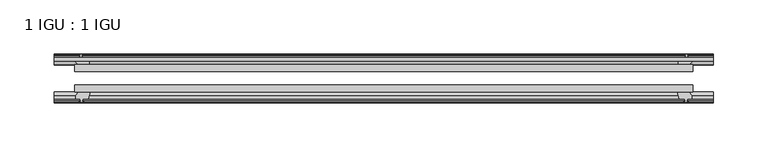
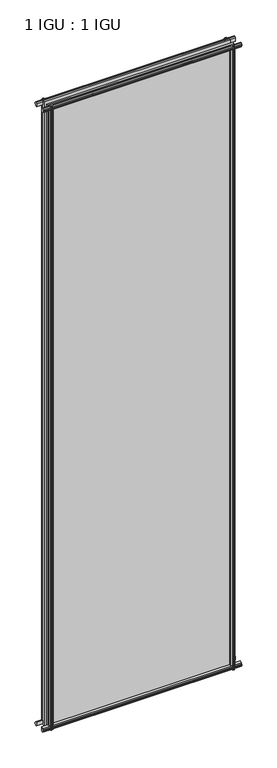
"""IFC4 building model written with IfcOpenShell, lengths in millimetres: plate geometry, 1 IGU : 1 IGU."""

import ifcopenshell
import ifcopenshell.guid

model = None  # the IFC model being written
_history = None  # IfcOwnerHistory: only IFC2X3 demands one
_inside = {}  # id of a spatial element -> (the spatial element, [elements in it])
_under = {}  # id of a project, library or spatial element -> (it, [spatial elements below it])
_declared = {}  # id of a project -> (the project, [libraries it declares])
_typed = {}  # id of a type object -> (the type object, [elements of that type])
_made_of = {}  # id of a material, layer set ... -> (it, [elements and type objects made of it])


def new_model(schema):
    """Start an empty IFC model of exactly this schema.

    Asked for "IFC4X3", IfcOpenShell would pick the latest addendum, in which some entities
    have other attributes; the version numbers below select the first issue.
    IFC2X3 requires an IfcOwnerHistory on every rooted entity: one is made here for all.
    """
    global model, _history
    if schema == "IFC4X3":
        model = ifcopenshell.file(schema_version=(4, 3, 0, 0))
    else:
        model = ifcopenshell.file(schema=schema)
    _inside.clear()
    _under.clear()
    _declared.clear()
    _typed.clear()
    _made_of.clear()
    _history = None
    if model.schema == "IFC2X3":
        org = make("IfcOrganization", Name="unknown")
        user = make(
            "IfcPersonAndOrganization",
            ThePerson=make("IfcPerson", FamilyName="unknown"),
            TheOrganization=org,
        )
        app = make(
            "IfcApplication",
            ApplicationDeveloper=org,
            Version="unknown",
            ApplicationFullName="unknown",
            ApplicationIdentifier="unknown",
        )
        _history = make(
            "IfcOwnerHistory",
            OwningUser=user,
            OwningApplication=app,
            ChangeAction="ADDED",
            CreationDate=0,
        )
    return model


def make(cls, **values):
    """One entity of the class cls with the attributes given. An attribute that is None is left unset."""
    return model.create_entity(
        cls, **{name: value for name, value in values.items() if value is not None}
    )


def rooted(cls, **values):
    """An entity with a GlobalId (a new one), such as an element, a storey or a relation."""
    return make(cls, GlobalId=ifcopenshell.guid.new(), OwnerHistory=_history, **values)


def si_unit(unit_type, name, prefix=None):
    """IfcSIUnit, for example si_unit("LENGTHUNIT", "METRE", prefix="MILLI")."""
    return make("IfcSIUnit", UnitType=unit_type, Prefix=prefix, Name=name)


def assignment(units):
    """IfcUnitAssignment: the units of a project."""
    return None if units is None else make("IfcUnitAssignment", Units=units)


def point(xyz):
    """IfcCartesianPoint."""
    return None if xyz is None else make("IfcCartesianPoint", Coordinates=xyz)


def direction(xyz):
    """IfcDirection."""
    return None if xyz is None else make("IfcDirection", DirectionRatios=xyz)


def frame(location, z_axis=None, x_axis=None):
    """IfcAxis2Placement3D, a coordinate frame: its origin and axes. An axis left out is left unset."""
    return make(
        "IfcAxis2Placement3D",
        Location=point(location),
        Axis=direction(z_axis),
        RefDirection=direction(x_axis),
    )


def origin():
    """The frame at (0, 0, 0) with its axes left unset."""
    return frame((0.0, 0.0, 0.0))


def place(relative_to, where):
    """IfcLocalPlacement: puts the frame where relative to a parent placement (None: the world)."""
    return make(
        "IfcLocalPlacement", PlacementRelTo=relative_to, RelativePlacement=where
    )


def context(
    kind, dimensions, precision=None, world=None, true_north=None, identifier=None
):
    """IfcGeometricRepresentationContext, for example the 3D "Model" context."""
    return make(
        "IfcGeometricRepresentationContext",
        ContextIdentifier=identifier,
        ContextType=kind,
        CoordinateSpaceDimension=dimensions,
        Precision=precision,
        WorldCoordinateSystem=world,
        TrueNorth=true_north,
    )


def project(units=None, contexts=None):
    """IfcProject with its units and contexts."""
    return rooted(
        "IfcProject",
        Name="project",
        RepresentationContexts=contexts,
        UnitsInContext=assignment(units),
    )


def spatial(cls, under=None, at=None, **own):
    """A site, building, storey or space (cls), placed at a placement, below another one or the project."""
    s = rooted(cls, ObjectPlacement=at, **own)
    if under is not None:
        _under.setdefault(under.id(), (under, []))[1].append(s)
    return s


def polyline(points):
    """IfcPolyline through the points."""
    return make("IfcPolyline", Points=[point(p) for p in points])


def outline(outer, holes=None, kind="AREA"):
    """IfcArbitraryClosedProfileDef: a profile drawn as a closed curve; with holes, ...WithVoids."""
    if holes is None:
        return make("IfcArbitraryClosedProfileDef", ProfileType=kind, OuterCurve=outer)
    return make(
        "IfcArbitraryProfileDefWithVoids",
        ProfileType=kind,
        OuterCurve=outer,
        InnerCurves=holes,
    )


def extrude(swept, where, along, depth):
    """IfcExtrudedAreaSolid: the profile swept, set in the frame where, extruded along a direction by depth."""
    return make(
        "IfcExtrudedAreaSolid",
        SweptArea=swept,
        Position=where,
        ExtrudedDirection=direction(along),
        Depth=depth,
    )


def shape(context_of_items, identifier, shape_type, items):
    """IfcShapeRepresentation: the items that make up one representation, for example the "Body"."""
    return make(
        "IfcShapeRepresentation",
        ContextOfItems=context_of_items,
        RepresentationIdentifier=identifier,
        RepresentationType=shape_type,
        Items=items,
    )


def source(mapping_origin, context_of_items, identifier, shape_type, items):
    """IfcRepresentationMap: a shape defined once, which mapped items show again and again."""
    return make(
        "IfcRepresentationMap",
        MappingOrigin=mapping_origin,
        MappedRepresentation=shape(context_of_items, identifier, shape_type, items),
    )


def transform(
    local_origin,
    x_axis=None,
    y_axis=None,
    z_axis=None,
    scale=None,
    scale2=None,
    scale3=None,
    uniform=True,
):
    """IfcCartesianTransformationOperator3D, or its non-uniform kind. x_axis, y_axis, z_axis: its Axis1, 2, 3."""
    if uniform:
        return make(
            "IfcCartesianTransformationOperator3D",
            Axis1=direction(x_axis),
            Axis2=direction(y_axis),
            LocalOrigin=point(local_origin),
            Scale=scale,
            Axis3=direction(z_axis),
        )
    return make(
        "IfcCartesianTransformationOperator3DnonUniform",
        Axis1=direction(x_axis),
        Axis2=direction(y_axis),
        LocalOrigin=point(local_origin),
        Scale=scale,
        Axis3=direction(z_axis),
        Scale2=scale2,
        Scale3=scale3,
    )


def mapped(mapping_source, mapping_target):
    """IfcMappedItem: shows the shape of a source again, moved by a transform."""
    return make(
        "IfcMappedItem", MappingSource=mapping_source, MappingTarget=mapping_target
    )


def made_of(thing, what):
    """Note that an element or type object is made of a material, layer set ...; save() writes the relation."""
    if what is not None:
        _made_of.setdefault(what.id(), (what, []))[1].append(thing)
    return thing


def element(
    cls,
    number,
    at=None,
    inside=None,
    cuts=None,
    type_object=None,
    material=None,
    context=None,
    identifier="Body",
    shape_type=None,
    held_by="IfcProductDefinitionShape",
    body=None,
    shapes=None,
    **own,
):
    """One element of the class cls, such as IfcWall. Its Tag is "e" and its number.

    at: its placement. inside: the storey or other place that contains it. cuts: it is an
    opening in that element (IfcRelVoidsElement). A single representation is given by context,
    identifier, shape_type and body (its items); several are given by shapes. held_by: the class
    of the entity that holds the representations. save() writes the other relations.
    """
    e = rooted(cls, Tag="e%d" % number, ObjectPlacement=at, **own)
    if body is not None:
        shapes = [shape(context, identifier, shape_type, body)]
    if shapes is not None:
        e.Representation = make(held_by, Representations=shapes)
    if inside is not None:
        _inside.setdefault(inside.id(), (inside, []))[1].append(e)
    if cuts is not None:
        rooted(
            "IfcRelVoidsElement", RelatingBuildingElement=cuts, RelatedOpeningElement=e
        )
    if type_object is not None:
        _typed.setdefault(type_object.id(), (type_object, []))[1].append(e)
    return made_of(e, material)


def aggregate(whole, parts):
    """IfcRelAggregates: a whole, such as a stair, and the parts it consists of."""
    return rooted("IfcRelAggregates", RelatingObject=whole, RelatedObjects=parts)


def save(model, path):
    """Write the relations noted so far, then the file.

    IfcRelAggregates (storeys below a building ...), IfcRelContainedInSpatialStructure (elements
    in a storey), IfcRelDefinesByType, IfcRelAssociatesMaterial and IfcRelDeclares: one each for
    every whole, place, type object, material and project.
    """
    for whole, parts in _under.values():
        aggregate(whole, parts)
    for where, things in _inside.values():
        rooted(
            "IfcRelContainedInSpatialStructure",
            RelatedElements=things,
            RelatingStructure=where,
        )
    for kind, things in _typed.values():
        rooted("IfcRelDefinesByType", RelatedObjects=things, RelatingType=kind)
    for what, things in _made_of.values():
        rooted("IfcRelAssociatesMaterial", RelatedObjects=things, RelatingMaterial=what)
    for by, libraries in _declared.values():
        rooted("IfcRelDeclares", RelatingContext=by, RelatedDefinitions=libraries)
    model.write(path)


def plate_1_igu_1_igu_378bebcd(model_context):
    return source(origin(), model_context, "Body", "SweptSolid", [
        extrude(outline(polyline([(-285.7500002, -38.6468937), (285.7500002, -38.6468937), (285.7500002, -44.9460938), (-285.7500002, -44.9460938), (-285.7500002, -38.6468937)])), frame((0.0, 0.0, -12.7), z_axis=(0.0, 0.0, 1.0), x_axis=(1.0, 0.0, 0.0)), (0.0, 0.0, 1.0), 2019.2999999),
        extrude(outline(polyline([(-285.7500002, -19.5460937), (285.7500002, -19.5460937), (285.7500002, -25.8960938), (-285.7500002, -25.8960938), (-285.7500002, -19.5460937)])), frame((0.0, 0.0, -12.7), z_axis=(0.0, 0.0, 1.0), x_axis=(1.0, 0.0, 0.0)), (0.0, 0.0, 1.0), 2019.2999999),
        extrude(outline(polyline([(-44.9460937, 1.7177181), (-44.9460937, -9.1036578), (-48.3496937, -11.938), (-51.2960937, -11.938), (-51.2960937, -7.493), (-53.6762907, -7.112), (-53.2163575, -8.5275291), (-54.0175717, -8.5275291), (-54.7250937, -6.35), (-54.0175717, -4.1724709), (-53.2163575, -4.1724709), (-53.6762907, -5.588), (-51.2960937, -5.207), (-51.2960937, 0.0), (-44.9460937, 1.7177181)])), frame((-304.8000002, 0.0, 0.0), z_axis=(1.0, 0.0, 0.0), x_axis=(0.0, 1.0, 0.0)), (0.0, 0.0, 1.0), 609.6000003),
        extrude(outline(polyline([(-13.1960937, -12.4587), (-16.1424937, -12.4587), (-19.5460937, -9.6243578), (-19.5460937, 1.1970181), (-13.1960937, -0.5207), (-13.1960937, -5.7277), (-10.8158968, -6.1087), (-11.27583, -4.6931709), (-10.4746158, -4.6931709), (-9.7670937, -6.8707), (-10.4746158, -9.0482291), (-11.27583, -9.0482291), (-10.8158968, -7.6327), (-13.1960937, -8.0137), (-13.1960937, -12.4587)])), frame((-304.8000002, 0.0, 0.0), z_axis=(1.0, 0.0, 0.0), x_axis=(0.0, 1.0, 0.0)), (0.0, 0.0, 1.0), 609.6000003),
        extrude(outline(polyline([(-51.2960937, 2005.8379999), (-48.3496937, 2005.8379999), (-44.9460937, 2003.0036577), (-44.9460937, 1992.1822818), (-51.2960937, 1993.8999999), (-51.2960937, 1999.1069999), (-53.6762907, 1999.4879999), (-53.2163575, 1998.0724708), (-54.0175717, 1998.0724708), (-54.7250937, 2000.2499999), (-54.0175717, 2002.4275289), (-53.2163575, 2002.4275289), (-53.6762907, 2001.0119999), (-51.2960937, 2001.3929999), (-51.2960937, 2005.8379999)])), frame((-304.8000002, 0.0, 0.0), z_axis=(1.0, 0.0, 0.0), x_axis=(0.0, 1.0, 0.0)), (0.0, 0.0, 1.0), 609.6000003),
        extrude(outline(polyline([(-19.5460937, 1992.7029818), (-19.5460937, 2003.5243577), (-16.1424937, 2006.3586999), (-13.1960937, 2006.3586999), (-13.1960937, 2001.9136999), (-10.8158968, 2001.5326999), (-11.27583, 2002.9482289), (-10.4746158, 2002.9482289), (-9.7670937, 2000.7706999), (-10.4746158, 1998.5931708), (-11.27583, 1998.5931708), (-10.8158968, 2000.0086999), (-13.1960937, 1999.6276999), (-13.1960937, 1994.4206999), (-19.5460937, 1992.7029818)])), frame((-304.8000002, 0.0, 0.0), z_axis=(1.0, 0.0, 0.0), x_axis=(0.0, 1.0, 0.0)), (0.0, 0.0, 1.0), 609.6000003),
        extrude(outline(polyline([(271.8529821, -19.5460938), (273.5707002, -13.1960938), (278.7777002, -13.1960938), (279.1587002, -10.8158968), (277.7431711, -11.27583), (277.7431711, -10.4746158), (279.9207002, -9.7670938), (282.0982292, -10.4746158), (282.0982292, -11.27583), (280.6827002, -10.8158968), (281.0637002, -13.1960938), (285.5087002, -13.1960938), (285.5087002, -16.1424938), (282.674358, -19.5460938), (271.8529821, -19.5460938)])), frame((0.0, 0.0, -12.7), z_axis=(0.0, 0.0, 1.0), x_axis=(1.0, 0.0, 0.0)), (0.0, 0.0, 1.0), 2019.3),
        extrude(outline(polyline([(271.3322821, -44.9460938), (282.153658, -44.9460938), (284.9880002, -48.3496938), (284.9880002, -51.2960938), (280.5430002, -51.2960938), (280.1620002, -53.6762907), (281.5775292, -53.2163575), (281.5775292, -54.0175717), (279.4000002, -54.7250938), (277.2224711, -54.0175717), (277.2224711, -53.2163575), (278.6380002, -53.6762907), (278.2570002, -51.2960938), (273.0500002, -51.2960938), (271.3322821, -44.9460938)])), frame((0.0, 0.0, -12.7), z_axis=(0.0, 0.0, 1.0), x_axis=(1.0, 0.0, 0.0)), (0.0, 0.0, 1.0), 2019.3),
        extrude(outline(polyline([(-279.9207002, -9.7670937), (-277.7431711, -10.4746158), (-277.7431711, -11.27583), (-279.1587002, -10.8158968), (-278.7777002, -13.1960937), (-273.5707002, -13.1960937), (-271.8529821, -19.5460937), (-282.674358, -19.5460937), (-285.5087002, -16.1424937), (-285.5087002, -13.1960937), (-281.0637002, -13.1960937), (-280.6827002, -10.8158968), (-282.0982292, -11.27583), (-282.0982292, -10.4746158), (-279.9207002, -9.7670937)])), frame((0.0, 0.0, -12.7), z_axis=(0.0, 0.0, 1.0), x_axis=(1.0, 0.0, 0.0)), (0.0, 0.0, 1.0), 2019.3),
        extrude(outline(polyline([(-284.9880002, -48.3496937), (-282.153658, -44.9460937), (-271.3322821, -44.9460937), (-273.0500002, -51.2960937), (-278.2570002, -51.2960937), (-278.6380002, -53.6762907), (-277.2224711, -53.2163575), (-277.2224711, -54.0175717), (-279.4000002, -54.7250937), (-281.5775292, -54.0175717), (-281.5775292, -53.2163575), (-280.1620002, -53.6762907), (-280.5430002, -51.2960937), (-284.9880002, -51.2960937), (-284.9880002, -48.3496937)])), frame((0.0, 0.0, -12.7), z_axis=(0.0, 0.0, 1.0), x_axis=(1.0, 0.0, 0.0)), (0.0, 0.0, 1.0), 2019.3),
    ])


if __name__ == "__main__":
    model = new_model("IFC4")
    model_context = context("Model", 3, world=origin())
    ifc_project = project(units=[si_unit("LENGTHUNIT", "METRE", prefix="MILLI")], contexts=[model_context])
    site = spatial("IfcSite", under=ifc_project)
    building = spatial("IfcBuilding", under=site)
    placement = place(None, origin())
    plate_1_igu_1_igu_shape = plate_1_igu_1_igu_378bebcd(model_context)
    element("IfcPlate", 1, ObjectType="1 IGU : 1 IGU", at=placement, inside=building, context=model_context, shape_type="MappedRepresentation", body=[
        mapped(plate_1_igu_1_igu_shape, transform((0.0, 0.0, 0.0), x_axis=(1.0, 0.0, 0.0), y_axis=(0.0, 1.0, 0.0), z_axis=(0.0, 0.0, 1.0))),
    ])
    save(model, "model.ifc")
